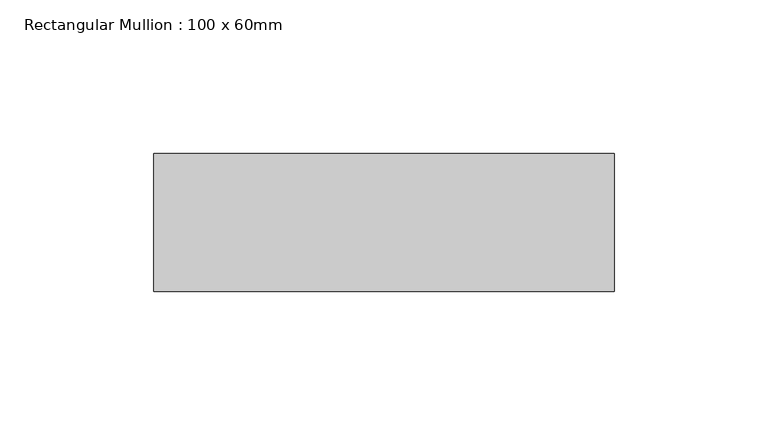
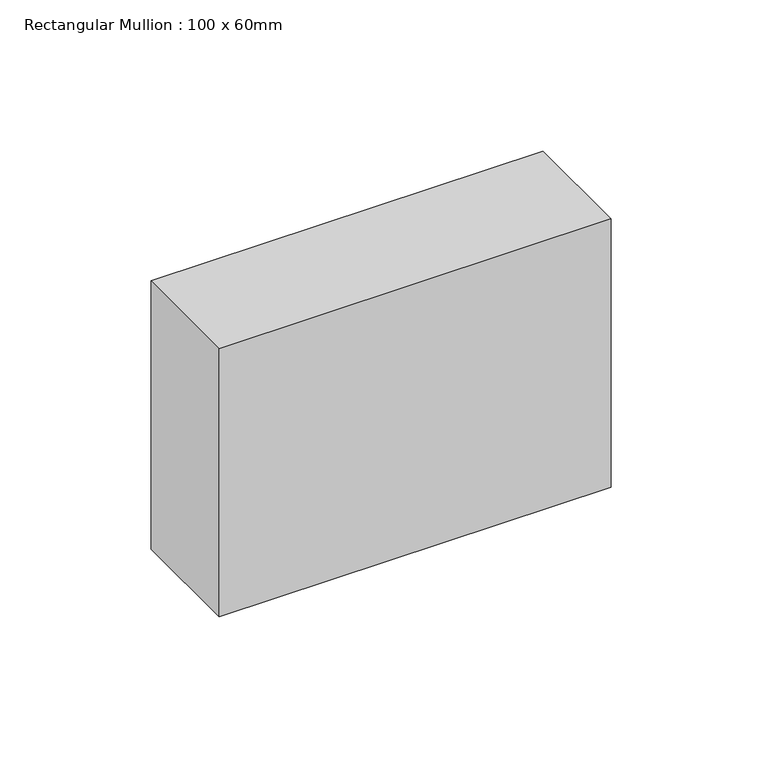
"""IFC4 building model written with IfcOpenShell, lengths in millimetres: member geometry, Rectangular Mullion : 100 x 60mm."""

from ifc_helpers import new_model, si_unit, frame, origin, place, context, project, spatial, polyline, outline, extrude, source, transform, mapped, element, save


def rectangular_mullion_100_x_60mm_f0844210(model_context):
    return source(origin(), model_context, "Body", "SweptSolid", [
        extrude(outline(polyline([(-150.0, -30.0), (-150.0, 15.0), (0.0, 15.0), (0.0, -30.0), (-150.0, -30.0)])), frame((0.0, 0.0, -108.4952371), z_axis=(0.0, 0.0, 1.0), x_axis=(1.0, 0.0, 0.0)), (0.0, 0.0, 1.0), 108.4952371),
    ])


if __name__ == "__main__":
    model = new_model("IFC4")
    model_context = context("Model", 3, world=origin())
    ifc_project = project(units=[si_unit("LENGTHUNIT", "METRE", prefix="MILLI")], contexts=[model_context])
    site = spatial("IfcSite", under=ifc_project)
    building = spatial("IfcBuilding", under=site)
    placement = place(None, origin())
    rectangular_mullion_100_x_60mm_shape = rectangular_mullion_100_x_60mm_f0844210(model_context)
    element("IfcMember", 1, ObjectType="Rectangular Mullion : 100 x 60mm", at=placement, inside=building, context=model_context, shape_type="MappedRepresentation", body=[
        mapped(rectangular_mullion_100_x_60mm_shape, transform((0.0, 0.0, 0.0), x_axis=(1.0, 0.0, 0.0), y_axis=(0.0, 1.0, 0.0), z_axis=(0.0, 0.0, 1.0))),
    ])
    save(model, "model.ifc")
